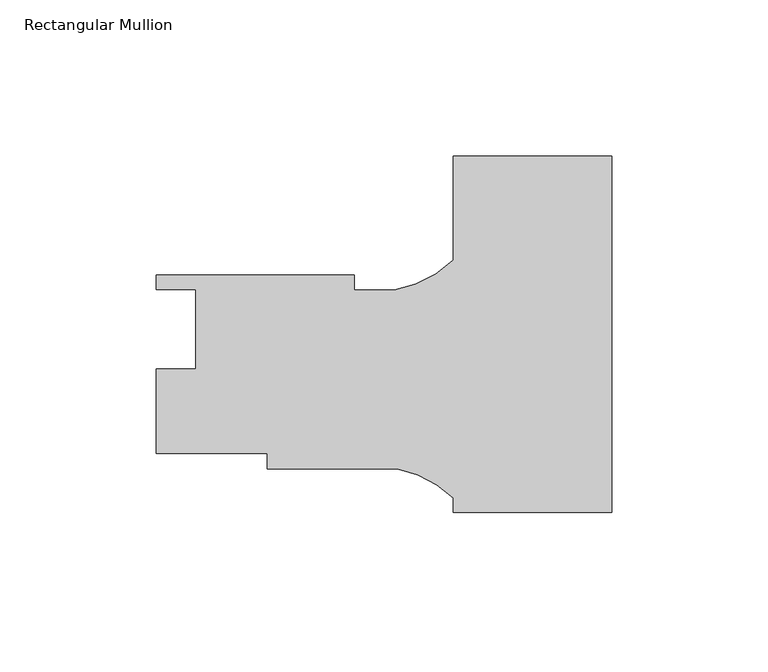
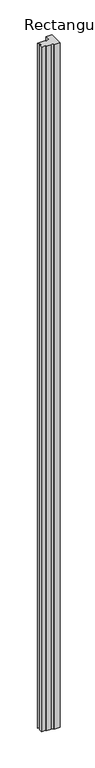
"""IFC4 building model written with IfcOpenShell, lengths in millimetres: member geometry, Rectangular Mullion."""

from ifc_helpers import new_model, si_unit, point, frame, frame_2d, origin, place, context, project, spatial, polyline, circle_curve, trimmed, segment, composite_curve, outline, extrude, source, transform, mapped, element, save


def rectangular_mullion_3530ef77(model_context):
    return source(origin(), model_context, "Body", "SweptSolid", [
        extrude(outline(composite_curve([segment(polyline([(0.0, -56.7371996), (-50.8, -56.7371996), (-50.8, -52.0388386)]), True, "CONTINUOUS"), segment(trimmed(circle_curve(frame_2d((-76.1593001, -78.907021)), 36.945816), [point((-50.8, -52.0388386))], [point((-68.7469462, -42.7124035))], True, "CARTESIAN"), True, "CONTINUOUS"), segment(polyline([(-68.7469462, -42.7124035), (-110.4500517, -42.7124035), (-110.4500517, -37.7635945), (-146.05, -37.7635945), (-146.05, -10.7125945), (-133.35, -10.7125945), (-133.35, 14.6874055), (-146.05, 14.6874055), (-146.05, 19.3864055), (-82.55, 19.3864055), (-82.55, 14.636034), (-69.7937361, 14.636034)]), True, "CONTINUOUS"), segment(trimmed(circle_curve(frame_2d((-76.1593001, 51.0293427)), 36.945816), [point((-69.7937361, 14.636034))], [point((-50.8, 24.1611603))], True, "CARTESIAN"), True, "CONTINUOUS"), segment(polyline([(-50.8, 24.1611603), (-50.8, 57.5628004), (0.0, 57.5628004), (0.0, -56.7371996)]), True, "CONTINUOUS")], self_intersect=False)), frame((0.0, 0.0, -6032.5), z_axis=(0.0, 0.0, 1.0), x_axis=(1.0, 0.0, 0.0)), (0.0, 0.0, 1.0), 6032.5),
    ])


if __name__ == "__main__":
    model = new_model("IFC4")
    model_context = context("Model", 3, world=origin())
    ifc_project = project(units=[si_unit("LENGTHUNIT", "METRE", prefix="MILLI")], contexts=[model_context])
    site = spatial("IfcSite", under=ifc_project)
    building = spatial("IfcBuilding", under=site)
    placement = place(None, origin())
    rectangular_mullion_shape = rectangular_mullion_3530ef77(model_context)
    element("IfcMember", 1, ObjectType="Rectangular Mullion", at=placement, inside=building, context=model_context, shape_type="MappedRepresentation", body=[
        mapped(rectangular_mullion_shape, transform((0.0, 0.0, 0.0), x_axis=(1.0, 0.0, 0.0), y_axis=(0.0, 1.0, 0.0), z_axis=(0.0, 0.0, 1.0))),
    ])
    save(model, "model.ifc")
